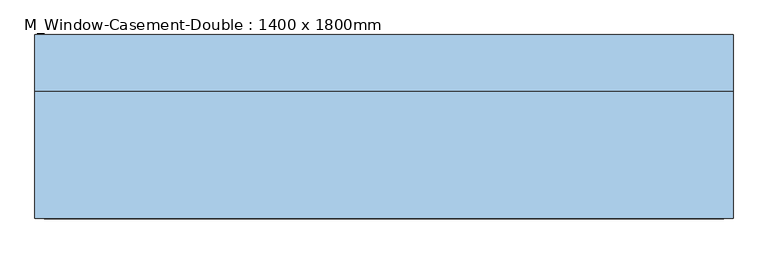
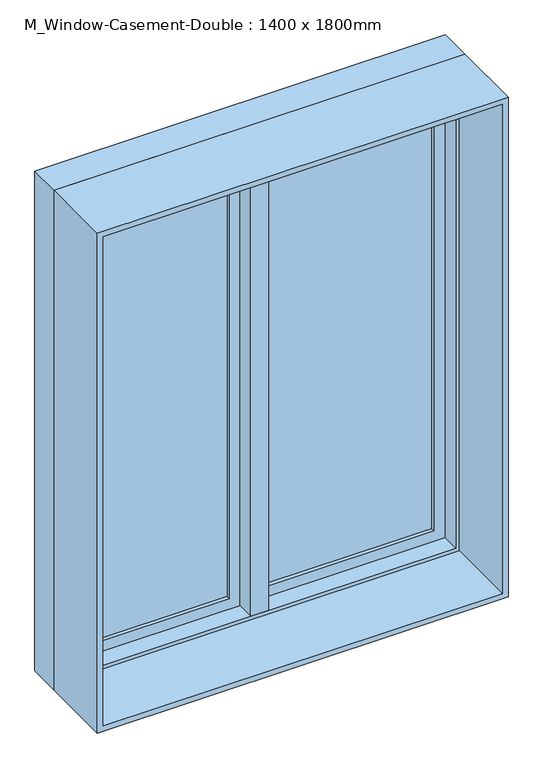
"""IFC4 building model written with IfcOpenShell, lengths in millimetres: window geometry, M_Window-Casement-Double : 1400 x 1800mm."""

from ifc_helpers import new_model, si_unit, frame, origin, place, context, project, spatial, polyline, outline, extrude, faceted_brep, source, transform, mapped, element, save


def m_window_casement_double_1400_x_1800mm_d9b0daee(model_context):
    return source(origin(), model_context, "Body", "SolidModel", [
        faceted_brep([(9.525, 194.05, 2687.3), (-9.525, 194.05, 2687.3), (-9.525, 143.25, 2687.3), (9.525, 143.25, 2687.3), (9.525, 194.05, 912.7), (9.525, 143.25, 912.7), (-9.525, 143.25, 912.7), (-9.525, 194.05, 912.7), (-9.525, 143.25, 931.75), (-9.525, 143.25, 2668.25), (-30.1625, 143.25, 931.75), (-30.1625, 143.25, 2668.25), (-30.1625, 79.75, 931.75), (-30.1625, 79.75, 2668.25), (30.1625, 79.75, 931.75), (30.1625, 79.75, 2668.25), (30.1625, 143.25, 931.75), (30.1625, 143.25, 2668.25), (9.525, 143.25, 931.75), (9.525, 143.25, 2668.25)], [[[0, 1, 2, 3]], [[4, 5, 6, 7]], [[1, 0, 4, 7]], [[2, 1, 7, 6, 8, 9]], [[9, 8, 10, 11]], [[11, 10, 12, 13]], [[13, 12, 14, 15]], [[15, 14, 16, 17]], [[17, 16, 18, 19]], [[0, 3, 19, 18, 5, 4]], [[18, 8, 6, 5]], [[9, 19, 3, 2]], [[8, 18, 16, 14, 12, 10]], [[19, 9, 11, 13, 15, 17]]]),
        extrude(outline(polyline([(-66.675, 175.0), (-66.675, 168.65), (-630.15, 168.65), (-630.15, 175.0), (-66.675, 175.0)])), frame((0.0, 0.0, 969.85), z_axis=(0.0, 0.0, 1.0), x_axis=(1.0, 0.0, 0.0)), (0.0, 0.0, 1.0), 1660.3),
        extrude(outline(polyline([(-630.15, 155.95), (-630.15, 162.3), (-66.675, 162.3), (-66.675, 155.95), (-630.15, 155.95)])), frame((0.0, 0.0, 969.85), z_axis=(0.0, 0.0, 1.0), x_axis=(1.0, 0.0, 0.0)), (0.0, 0.0, 1.0), 1660.3),
        extrude(outline(polyline([(630.15, 175.0), (630.15, 168.65), (66.675, 168.65), (66.675, 175.0), (630.15, 175.0)])), frame((0.0, 0.0, 969.85), z_axis=(0.0, 0.0, 1.0), x_axis=(1.0, 0.0, 0.0)), (0.0, 0.0, 1.0), 1660.3),
        extrude(outline(polyline([(66.675, 155.95), (66.675, 162.3), (630.15, 162.3), (630.15, 155.95), (66.675, 155.95)])), frame((0.0, 0.0, 969.85), z_axis=(0.0, 0.0, 1.0), x_axis=(1.0, 0.0, 0.0)), (0.0, 0.0, 1.0), 1660.3),
        extrude(outline(polyline([(2687.3, -687.3), (912.7, -687.3), (912.7, -9.525), (2687.3, -9.525), (2687.3, -687.3)]), holes=[polyline([(2630.15, -66.675), (969.85, -66.675), (969.85, -630.15), (2630.15, -630.15), (2630.15, -66.675)])]), frame((0.0, 143.25, 0.0), z_axis=(0.0, 1.0, 0.0), x_axis=(0.0, 0.0, 1.0)), (0.0, 0.0, 1.0), 44.45),
        extrude(outline(polyline([(912.7, 687.3), (2687.3, 687.3), (2687.3, 9.525), (912.7, 9.525), (912.7, 687.3)]), holes=[polyline([(969.85, 66.675), (2630.15, 66.675), (2630.15, 630.15), (969.85, 630.15), (969.85, 66.675)])]), frame((0.0, 143.25, 0.0), z_axis=(0.0, 1.0, 0.0), x_axis=(0.0, 0.0, 1.0)), (0.0, 0.0, 1.0), 44.45),
        extrude(outline(polyline([(2700.0, -700.0), (900.0, -700.0), (900.0, 700.0), (2700.0, 700.0), (2700.0, -700.0)]), holes=[polyline([(2680.95, 680.95), (919.05, 680.95), (919.05, -680.95), (2680.95, -680.95), (2680.95, 680.95)])]), frame((0.0, -175.0, 0.0), z_axis=(0.0, 1.0, 0.0), x_axis=(0.0, 0.0, 1.0)), (0.0, 0.0, 1.0), 254.75),
        faceted_brep([(668.25, 143.25, 2668.25), (668.25, 79.75, 2668.25), (-668.25, 79.75, 2668.25), (-668.25, 143.25, 2668.25), (687.3, 194.05, 2687.3), (687.3, 143.25, 2687.3), (-687.3, 143.25, 2687.3), (-687.3, 194.05, 2687.3), (700.0, 79.75, 2700.0), (700.0, 194.05, 2700.0), (-700.0, 194.05, 2700.0), (-700.0, 79.75, 2700.0), (-668.25, 79.75, 931.75), (-668.25, 143.25, 931.75), (-687.3, 143.25, 912.7), (-687.3, 194.05, 912.7), (-700.0, 194.05, 900.0), (-700.0, 79.75, 900.0), (668.25, 79.75, 931.75), (668.25, 143.25, 931.75), (687.3, 143.25, 912.7), (687.3, 194.05, 912.7), (700.0, 194.05, 900.0), (700.0, 79.75, 900.0)], [[[0, 1, 2, 3]], [[4, 5, 6, 7]], [[8, 9, 10, 11]], [[3, 2, 12, 13]], [[7, 6, 14, 15]], [[11, 10, 16, 17]], [[13, 12, 18, 19]], [[15, 14, 20, 21]], [[17, 16, 22, 23]], [[11, 17, 23, 8], [1, 18, 12, 2]], [[19, 18, 1, 0]], [[5, 20, 14, 6], [3, 13, 19, 0]], [[21, 20, 5, 4]], [[23, 22, 9, 8]], [[9, 22, 16, 10], [7, 15, 21, 4]]]),
    ])


if __name__ == "__main__":
    model = new_model("IFC4")
    model_context = context("Model", 3, world=origin())
    ifc_project = project(units=[si_unit("LENGTHUNIT", "METRE", prefix="MILLI")], contexts=[model_context])
    site = spatial("IfcSite", under=ifc_project)
    building = spatial("IfcBuilding", under=site)
    placement = place(None, origin())
    m_window_casement_double_1400_x_1800mm_shape = m_window_casement_double_1400_x_1800mm_d9b0daee(model_context)
    element("IfcWindow", 1, ObjectType="M_Window-Casement-Double : 1400 x 1800mm", at=placement, inside=building, context=model_context, shape_type="MappedRepresentation", body=[
        mapped(m_window_casement_double_1400_x_1800mm_shape, transform((0.0, 0.0, 0.0), x_axis=(1.0, 0.0, 0.0), y_axis=(0.0, 1.0, 0.0), z_axis=(0.0, 0.0, 1.0))),
    ])
    save(model, "model.ifc")
